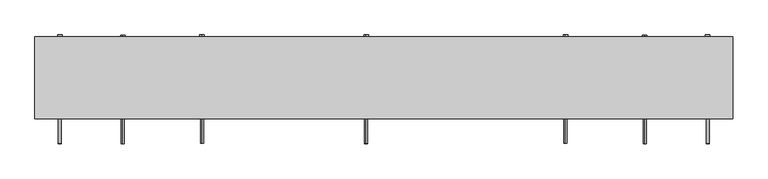
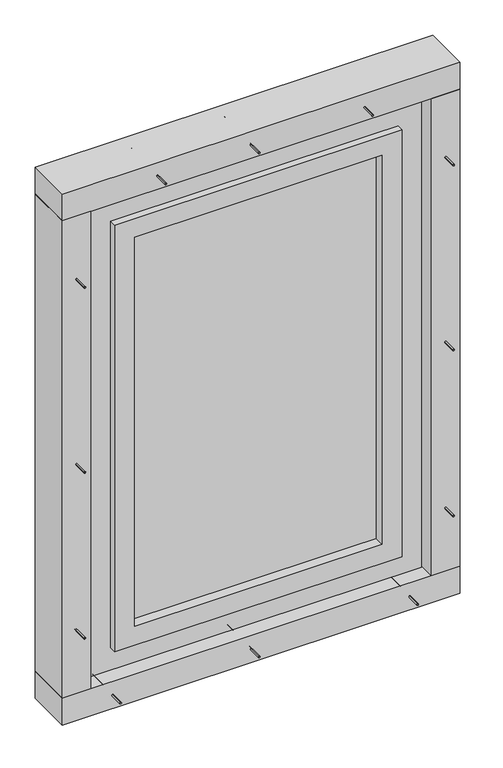
"""IFC4 building model written with IfcOpenShell, lengths in millimetres: proxy geometry."""

import ifcopenshell
import ifcopenshell.guid

model = None  # the IFC model being written
_history = None  # IfcOwnerHistory: only IFC2X3 demands one
_inside = {}  # id of a spatial element -> (the spatial element, [elements in it])
_under = {}  # id of a project, library or spatial element -> (it, [spatial elements below it])
_declared = {}  # id of a project -> (the project, [libraries it declares])
_typed = {}  # id of a type object -> (the type object, [elements of that type])
_made_of = {}  # id of a material, layer set ... -> (it, [elements and type objects made of it])


def new_model(schema):
    """Start an empty IFC model of exactly this schema.

    Asked for "IFC4X3", IfcOpenShell would pick the latest addendum, in which some entities
    have other attributes; the version numbers below select the first issue.
    IFC2X3 requires an IfcOwnerHistory on every rooted entity: one is made here for all.
    """
    global model, _history
    if schema == "IFC4X3":
        model = ifcopenshell.file(schema_version=(4, 3, 0, 0))
    else:
        model = ifcopenshell.file(schema=schema)
    _inside.clear()
    _under.clear()
    _declared.clear()
    _typed.clear()
    _made_of.clear()
    _history = None
    if model.schema == "IFC2X3":
        org = make("IfcOrganization", Name="unknown")
        user = make(
            "IfcPersonAndOrganization",
            ThePerson=make("IfcPerson", FamilyName="unknown"),
            TheOrganization=org,
        )
        app = make(
            "IfcApplication",
            ApplicationDeveloper=org,
            Version="unknown",
            ApplicationFullName="unknown",
            ApplicationIdentifier="unknown",
        )
        _history = make(
            "IfcOwnerHistory",
            OwningUser=user,
            OwningApplication=app,
            ChangeAction="ADDED",
            CreationDate=0,
        )
    return model


def make(cls, **values):
    """One entity of the class cls with the attributes given. An attribute that is None is left unset."""
    return model.create_entity(
        cls, **{name: value for name, value in values.items() if value is not None}
    )


def rooted(cls, **values):
    """An entity with a GlobalId (a new one), such as an element, a storey or a relation."""
    return make(cls, GlobalId=ifcopenshell.guid.new(), OwnerHistory=_history, **values)


def si_unit(unit_type, name, prefix=None):
    """IfcSIUnit, for example si_unit("LENGTHUNIT", "METRE", prefix="MILLI")."""
    return make("IfcSIUnit", UnitType=unit_type, Prefix=prefix, Name=name)


def assignment(units):
    """IfcUnitAssignment: the units of a project."""
    return None if units is None else make("IfcUnitAssignment", Units=units)


def point(xyz):
    """IfcCartesianPoint."""
    return None if xyz is None else make("IfcCartesianPoint", Coordinates=xyz)


def direction(xyz):
    """IfcDirection."""
    return None if xyz is None else make("IfcDirection", DirectionRatios=xyz)


def frame(location, z_axis=None, x_axis=None):
    """IfcAxis2Placement3D, a coordinate frame: its origin and axes. An axis left out is left unset."""
    return make(
        "IfcAxis2Placement3D",
        Location=point(location),
        Axis=direction(z_axis),
        RefDirection=direction(x_axis),
    )


def frame_2d(location, x_axis=None):
    """IfcAxis2Placement2D, a coordinate frame in the plane: its origin and x axis."""
    return make(
        "IfcAxis2Placement2D", Location=point(location), RefDirection=direction(x_axis)
    )


def origin():
    """The frame at (0, 0, 0) with its axes left unset."""
    return frame((0.0, 0.0, 0.0))


def origin_with_axes():
    """The frame at (0, 0, 0) with the z axis (0, 0, 1) and the x axis (1, 0, 0) written out."""
    return frame((0.0, 0.0, 0.0), z_axis=(0.0, 0.0, 1.0), x_axis=(1.0, 0.0, 0.0))


def place(relative_to, where):
    """IfcLocalPlacement: puts the frame where relative to a parent placement (None: the world)."""
    return make(
        "IfcLocalPlacement", PlacementRelTo=relative_to, RelativePlacement=where
    )


def context(
    kind, dimensions, precision=None, world=None, true_north=None, identifier=None
):
    """IfcGeometricRepresentationContext, for example the 3D "Model" context."""
    return make(
        "IfcGeometricRepresentationContext",
        ContextIdentifier=identifier,
        ContextType=kind,
        CoordinateSpaceDimension=dimensions,
        Precision=precision,
        WorldCoordinateSystem=world,
        TrueNorth=true_north,
    )


def project(units=None, contexts=None):
    """IfcProject with its units and contexts."""
    return rooted(
        "IfcProject",
        Name="project",
        RepresentationContexts=contexts,
        UnitsInContext=assignment(units),
    )


def spatial(cls, under=None, at=None, **own):
    """A site, building, storey or space (cls), placed at a placement, below another one or the project."""
    s = rooted(cls, ObjectPlacement=at, **own)
    if under is not None:
        _under.setdefault(under.id(), (under, []))[1].append(s)
    return s


def polyline(points):
    """IfcPolyline through the points."""
    return make("IfcPolyline", Points=[point(p) for p in points])


def circle_curve(where, radius):
    """IfcCircle in the frame where."""
    return make("IfcCircle", Position=where, Radius=radius)


def trimmed(basis, trim1, trim2, sense, master):
    """IfcTrimmedCurve: the piece of a basis curve between two trims."""
    return make(
        "IfcTrimmedCurve",
        BasisCurve=basis,
        Trim1=trim1,
        Trim2=trim2,
        SenseAgreement=sense,
        MasterRepresentation=master,
    )


def segment(curve, same_sense, transition):
    """IfcCompositeCurveSegment."""
    return make(
        "IfcCompositeCurveSegment",
        Transition=transition,
        SameSense=same_sense,
        ParentCurve=curve,
    )


def composite_curve(segments, self_intersect=None):
    """IfcCompositeCurve: segments joined end to end."""
    return make("IfcCompositeCurve", Segments=segments, SelfIntersect=self_intersect)


def outline(outer, holes=None, kind="AREA"):
    """IfcArbitraryClosedProfileDef: a profile drawn as a closed curve; with holes, ...WithVoids."""
    if holes is None:
        return make("IfcArbitraryClosedProfileDef", ProfileType=kind, OuterCurve=outer)
    return make(
        "IfcArbitraryProfileDefWithVoids",
        ProfileType=kind,
        OuterCurve=outer,
        InnerCurves=holes,
    )


def extrude(swept, where, along, depth):
    """IfcExtrudedAreaSolid: the profile swept, set in the frame where, extruded along a direction by depth."""
    return make(
        "IfcExtrudedAreaSolid",
        SweptArea=swept,
        Position=where,
        ExtrudedDirection=direction(along),
        Depth=depth,
    )


def shape(context_of_items, identifier, shape_type, items):
    """IfcShapeRepresentation: the items that make up one representation, for example the "Body"."""
    return make(
        "IfcShapeRepresentation",
        ContextOfItems=context_of_items,
        RepresentationIdentifier=identifier,
        RepresentationType=shape_type,
        Items=items,
    )


def source(mapping_origin, context_of_items, identifier, shape_type, items):
    """IfcRepresentationMap: a shape defined once, which mapped items show again and again."""
    return make(
        "IfcRepresentationMap",
        MappingOrigin=mapping_origin,
        MappedRepresentation=shape(context_of_items, identifier, shape_type, items),
    )


def transform(
    local_origin,
    x_axis=None,
    y_axis=None,
    z_axis=None,
    scale=None,
    scale2=None,
    scale3=None,
    uniform=True,
):
    """IfcCartesianTransformationOperator3D, or its non-uniform kind. x_axis, y_axis, z_axis: its Axis1, 2, 3."""
    if uniform:
        return make(
            "IfcCartesianTransformationOperator3D",
            Axis1=direction(x_axis),
            Axis2=direction(y_axis),
            LocalOrigin=point(local_origin),
            Scale=scale,
            Axis3=direction(z_axis),
        )
    return make(
        "IfcCartesianTransformationOperator3DnonUniform",
        Axis1=direction(x_axis),
        Axis2=direction(y_axis),
        LocalOrigin=point(local_origin),
        Scale=scale,
        Axis3=direction(z_axis),
        Scale2=scale2,
        Scale3=scale3,
    )


def mapped(mapping_source, mapping_target):
    """IfcMappedItem: shows the shape of a source again, moved by a transform."""
    return make(
        "IfcMappedItem", MappingSource=mapping_source, MappingTarget=mapping_target
    )


def made_of(thing, what):
    """Note that an element or type object is made of a material, layer set ...; save() writes the relation."""
    if what is not None:
        _made_of.setdefault(what.id(), (what, []))[1].append(thing)
    return thing


def element(
    cls,
    number,
    at=None,
    inside=None,
    cuts=None,
    type_object=None,
    material=None,
    context=None,
    identifier="Body",
    shape_type=None,
    held_by="IfcProductDefinitionShape",
    body=None,
    shapes=None,
    **own,
):
    """One element of the class cls, such as IfcWall. Its Tag is "e" and its number.

    at: its placement. inside: the storey or other place that contains it. cuts: it is an
    opening in that element (IfcRelVoidsElement). A single representation is given by context,
    identifier, shape_type and body (its items); several are given by shapes. held_by: the class
    of the entity that holds the representations. save() writes the other relations.
    """
    e = rooted(cls, Tag="e%d" % number, ObjectPlacement=at, **own)
    if body is not None:
        shapes = [shape(context, identifier, shape_type, body)]
    if shapes is not None:
        e.Representation = make(held_by, Representations=shapes)
    if inside is not None:
        _inside.setdefault(inside.id(), (inside, []))[1].append(e)
    if cuts is not None:
        rooted(
            "IfcRelVoidsElement", RelatingBuildingElement=cuts, RelatedOpeningElement=e
        )
    if type_object is not None:
        _typed.setdefault(type_object.id(), (type_object, []))[1].append(e)
    return made_of(e, material)


def aggregate(whole, parts):
    """IfcRelAggregates: a whole, such as a stair, and the parts it consists of."""
    return rooted("IfcRelAggregates", RelatingObject=whole, RelatedObjects=parts)


def save(model, path):
    """Write the relations noted so far, then the file.

    IfcRelAggregates (storeys below a building ...), IfcRelContainedInSpatialStructure (elements
    in a storey), IfcRelDefinesByType, IfcRelAssociatesMaterial and IfcRelDeclares: one each for
    every whole, place, type object, material and project.
    """
    for whole, parts in _under.values():
        aggregate(whole, parts)
    for where, things in _inside.values():
        rooted(
            "IfcRelContainedInSpatialStructure",
            RelatedElements=things,
            RelatingStructure=where,
        )
    for kind, things in _typed.values():
        rooted("IfcRelDefinesByType", RelatedObjects=things, RelatingType=kind)
    for what, things in _made_of.values():
        rooted("IfcRelAssociatesMaterial", RelatedObjects=things, RelatingMaterial=what)
    for by, libraries in _declared.values():
        rooted("IfcRelDeclares", RelatingContext=by, RelatedDefinitions=libraries)
    model.write(path)


def generic_models_2663416c(model_context):
    return source(origin(), model_context, "Body", "SweptSolid", [
        extrude(outline(polyline([(-245.0, 5.0), (-245.0, 15.0), (495.0, 15.0), (495.0, 5.0), (-245.0, 5.0)])), frame((0.0, 0.0, 225.0), z_axis=(0.0, 0.0, 1.0), x_axis=(1.0, 0.0, 0.0)), (0.0, 0.0, 1.0), 1230.0),
        extrude(outline(polyline([(165.0, 555.0), (1515.0, 555.0), (1515.0, -305.0), (165.0, -305.0), (165.0, 555.0)]), holes=[polyline([(1455.0, 495.0), (225.0, 495.0), (225.0, -245.0), (1455.0, -245.0), (1455.0, 495.0)])]), frame((0.0, -25.0, 0.0), z_axis=(0.0, 1.0, 0.0), x_axis=(0.0, 0.0, 1.0)), (0.0, 0.0, 1.0), 70.0),
        extrude(outline(polyline([(95.0, 625.0), (1585.0, 625.0), (1585.0, -375.0), (95.0, -375.0), (95.0, 625.0)]), holes=[polyline([(1515.0, 555.0), (165.0, 555.0), (165.0, -305.0), (1515.0, -305.0), (1515.0, 555.0)])]), frame((0.0, -5.0, 0.0), z_axis=(0.0, 1.0, 0.0), x_axis=(0.0, 0.0, 1.0)), (0.0, 0.0, 1.0), 70.0),
        extrude(outline(composite_curve([segment(trimmed(circle_curve(frame_2d((125.0, 30.0)), 2.4700592), [point((125.0, 27.5299408))], [point((125.0, 32.4700592))], False, "CARTESIAN"), True, "CONTINUOUS"), segment(trimmed(circle_curve(frame_2d((125.0, 30.0)), 2.4700592), [point((125.0, 32.4700592))], [point((125.0, 27.5299408))], False, "CARTESIAN"), True, "CONTINUOUS")], self_intersect=False)), frame((0.0, 0.0, 25.0), z_axis=(0.0, 0.0, 1.0), x_axis=(1.0, 0.0, 0.0)), (0.0, 0.0, 1.0), 140.0),
        extrude(outline(composite_curve([segment(trimmed(circle_curve(frame_2d((125.0, 30.0)), 3.8), [point((125.0, 26.2))], [point((125.0, 33.8))], False, "CARTESIAN"), True, "CONTINUOUS"), segment(trimmed(circle_curve(frame_2d((125.0, 30.0)), 3.8), [point((125.0, 33.8))], [point((125.0, 26.2))], False, "CARTESIAN"), True, "CONTINUOUS")], self_intersect=False)), frame((0.0, 0.0, 165.0), z_axis=(0.0, 0.0, 1.0), x_axis=(1.0, 0.0, 0.0)), (0.0, 0.0, 1.0), 3.0),
        extrude(outline(composite_curve([segment(trimmed(circle_curve(frame_2d((42.5, 95.0)), 2.4700592), [point((44.9700592, 95.0))], [point((40.0299408, 95.0))], False, "CARTESIAN"), True, "CONTINUOUS"), segment(trimmed(circle_curve(frame_2d((42.5, 95.0)), 2.4700592), [point((40.0299408, 95.0))], [point((44.9700592, 95.0))], False, "CARTESIAN"), True, "CONTINUOUS")], self_intersect=False)), frame((0.0, -82.0, 0.0), z_axis=(0.0, 1.0, 0.0), x_axis=(0.0, 0.0, 1.0)), (0.0, 0.0, 1.0), 182.0),
        extrude(outline(composite_curve([segment(trimmed(circle_curve(frame_2d((42.5, 95.0)), 3.8), [point((46.3, 95.0))], [point((38.7, 95.0))], False, "CARTESIAN"), True, "CONTINUOUS"), segment(trimmed(circle_curve(frame_2d((42.5, 95.0)), 3.8), [point((38.7, 95.0))], [point((46.3, 95.0))], False, "CARTESIAN"), True, "CONTINUOUS")], self_intersect=False)), frame((0.0, 100.0, 0.0), z_axis=(0.0, 1.0, 0.0), x_axis=(0.0, 0.0, 1.0)), (0.0, 0.0, 1.0), 3.0),
        extrude(outline(composite_curve([segment(trimmed(circle_curve(frame_2d((42.5, -320.0)), 2.4700592), [point((44.9700592, -320.0))], [point((40.0299408, -320.0))], False, "CARTESIAN"), True, "CONTINUOUS"), segment(trimmed(circle_curve(frame_2d((42.5, -320.0)), 2.4700592), [point((40.0299408, -320.0))], [point((44.9700592, -320.0))], False, "CARTESIAN"), True, "CONTINUOUS")], self_intersect=False)), frame((0.0, -82.0, 0.0), z_axis=(0.0, 1.0, 0.0), x_axis=(0.0, 0.0, 1.0)), (0.0, 0.0, 1.0), 182.0),
        extrude(outline(composite_curve([segment(trimmed(circle_curve(frame_2d((42.5, -320.0)), 3.8), [point((46.3, -320.0))], [point((38.7, -320.0))], False, "CARTESIAN"), True, "CONTINUOUS"), segment(trimmed(circle_curve(frame_2d((42.5, -320.0)), 3.8), [point((38.7, -320.0))], [point((46.3, -320.0))], False, "CARTESIAN"), True, "CONTINUOUS")], self_intersect=False)), frame((0.0, 100.0, 0.0), z_axis=(0.0, 1.0, 0.0), x_axis=(0.0, 0.0, 1.0)), (0.0, 0.0, 1.0), 3.0),
        extrude(outline(composite_curve([segment(trimmed(circle_curve(frame_2d((42.5, 570.0)), 2.4700592), [point((44.9700592, 570.0))], [point((40.0299408, 570.0))], False, "CARTESIAN"), True, "CONTINUOUS"), segment(trimmed(circle_curve(frame_2d((42.5, 570.0)), 2.4700592), [point((40.0299408, 570.0))], [point((44.9700592, 570.0))], False, "CARTESIAN"), True, "CONTINUOUS")], self_intersect=False)), frame((0.0, -82.0, 0.0), z_axis=(0.0, 1.0, 0.0), x_axis=(0.0, 0.0, 1.0)), (0.0, 0.0, 1.0), 182.0),
        extrude(outline(composite_curve([segment(trimmed(circle_curve(frame_2d((42.5, 570.0)), 3.8), [point((46.3, 570.0))], [point((38.7, 570.0))], False, "CARTESIAN"), True, "CONTINUOUS"), segment(trimmed(circle_curve(frame_2d((42.5, 570.0)), 3.8), [point((38.7, 570.0))], [point((46.3, 570.0))], False, "CARTESIAN"), True, "CONTINUOUS")], self_intersect=False)), frame((0.0, 100.0, 0.0), z_axis=(0.0, 1.0, 0.0), x_axis=(0.0, 0.0, 1.0)), (0.0, 0.0, 1.0), 3.0),
        extrude(outline(polyline([(720.0, -40.0), (-470.0, -40.0), (-470.0, 100.0), (720.0, 100.0), (720.0, -40.0)])), origin_with_axes(), (0.0, 0.0, 1.0), 85.0),
        extrude(outline(composite_curve([segment(trimmed(circle_curve(frame_2d((30.0, 315.0)), 2.4700592), [point((27.5299408, 315.0))], [point((32.4700592, 315.0))], False, "CARTESIAN"), True, "CONTINUOUS"), segment(trimmed(circle_curve(frame_2d((30.0, 315.0)), 2.4700592), [point((32.4700592, 315.0))], [point((27.5299408, 315.0))], False, "CARTESIAN"), True, "CONTINUOUS")], self_intersect=False)), frame((-445.0, 0.0, 0.0), z_axis=(1.0, 0.0, 0.0), x_axis=(0.0, 1.0, 0.0)), (0.0, 0.0, 1.0), 140.0),
        extrude(outline(composite_curve([segment(trimmed(circle_curve(frame_2d((30.0, 315.0)), 3.8), [point((26.2, 315.0))], [point((33.8, 315.0))], False, "CARTESIAN"), True, "CONTINUOUS"), segment(trimmed(circle_curve(frame_2d((30.0, 315.0)), 3.8), [point((33.8, 315.0))], [point((26.2, 315.0))], False, "CARTESIAN"), True, "CONTINUOUS")], self_intersect=False)), frame((-305.0, 0.0, 0.0), z_axis=(1.0, 0.0, 0.0), x_axis=(0.0, 1.0, 0.0)), (0.0, 0.0, 1.0), 3.0),
        extrude(outline(composite_curve([segment(trimmed(circle_curve(frame_2d((30.0, 1365.0)), 2.4700592), [point((27.5299408, 1365.0))], [point((32.4700592, 1365.0))], False, "CARTESIAN"), True, "CONTINUOUS"), segment(trimmed(circle_curve(frame_2d((30.0, 1365.0)), 2.4700592), [point((32.4700592, 1365.0))], [point((27.5299408, 1365.0))], False, "CARTESIAN"), True, "CONTINUOUS")], self_intersect=False)), frame((-445.0, 0.0, 0.0), z_axis=(1.0, 0.0, 0.0), x_axis=(0.0, 1.0, 0.0)), (0.0, 0.0, 1.0), 140.0),
        extrude(outline(composite_curve([segment(trimmed(circle_curve(frame_2d((30.0, 1365.0)), 3.8), [point((26.2, 1365.0))], [point((33.8, 1365.0))], False, "CARTESIAN"), True, "CONTINUOUS"), segment(trimmed(circle_curve(frame_2d((30.0, 1365.0)), 3.8), [point((33.8, 1365.0))], [point((26.2, 1365.0))], False, "CARTESIAN"), True, "CONTINUOUS")], self_intersect=False)), frame((-305.0, 0.0, 0.0), z_axis=(1.0, 0.0, 0.0), x_axis=(0.0, 1.0, 0.0)), (0.0, 0.0, 1.0), 3.0),
        extrude(outline(composite_curve([segment(trimmed(circle_curve(frame_2d((810.0, -427.5)), 2.4700592), [point((810.0, -429.9700592))], [point((810.0, -425.0299408))], False, "CARTESIAN"), True, "CONTINUOUS"), segment(trimmed(circle_curve(frame_2d((810.0, -427.5)), 2.4700592), [point((810.0, -425.0299408))], [point((810.0, -429.9700592))], False, "CARTESIAN"), True, "CONTINUOUS")], self_intersect=False)), frame((0.0, -82.0, 0.0), z_axis=(0.0, 1.0, 0.0), x_axis=(0.0, 0.0, 1.0)), (0.0, 0.0, 1.0), 182.0),
        extrude(outline(composite_curve([segment(trimmed(circle_curve(frame_2d((810.0, -427.5)), 3.8), [point((810.0, -431.3))], [point((810.0, -423.7))], False, "CARTESIAN"), True, "CONTINUOUS"), segment(trimmed(circle_curve(frame_2d((810.0, -427.5)), 3.8), [point((810.0, -423.7))], [point((810.0, -431.3))], False, "CARTESIAN"), True, "CONTINUOUS")], self_intersect=False)), frame((0.0, 100.0, 0.0), z_axis=(0.0, 1.0, 0.0), x_axis=(0.0, 0.0, 1.0)), (0.0, 0.0, 1.0), 3.0),
        extrude(outline(composite_curve([segment(trimmed(circle_curve(frame_2d((30.0, 840.0)), 2.4700592), [point((27.5299408, 840.0))], [point((32.4700592, 840.0))], False, "CARTESIAN"), True, "CONTINUOUS"), segment(trimmed(circle_curve(frame_2d((30.0, 840.0)), 2.4700592), [point((32.4700592, 840.0))], [point((27.5299408, 840.0))], False, "CARTESIAN"), True, "CONTINUOUS")], self_intersect=False)), frame((-445.0, 0.0, 0.0), z_axis=(1.0, 0.0, 0.0), x_axis=(0.0, 1.0, 0.0)), (0.0, 0.0, 1.0), 140.0),
        extrude(outline(composite_curve([segment(trimmed(circle_curve(frame_2d((30.0, 840.0)), 3.8), [point((26.2, 840.0))], [point((33.8, 840.0))], False, "CARTESIAN"), True, "CONTINUOUS"), segment(trimmed(circle_curve(frame_2d((30.0, 840.0)), 3.8), [point((33.8, 840.0))], [point((26.2, 840.0))], False, "CARTESIAN"), True, "CONTINUOUS")], self_intersect=False)), frame((-305.0, 0.0, 0.0), z_axis=(1.0, 0.0, 0.0), x_axis=(0.0, 1.0, 0.0)), (0.0, 0.0, 1.0), 3.0),
        extrude(outline(composite_curve([segment(trimmed(circle_curve(frame_2d((1395.0, -427.5)), 2.4700592), [point((1395.0, -429.9700592))], [point((1395.0, -425.0299408))], False, "CARTESIAN"), True, "CONTINUOUS"), segment(trimmed(circle_curve(frame_2d((1395.0, -427.5)), 2.4700592), [point((1395.0, -425.0299408))], [point((1395.0, -429.9700592))], False, "CARTESIAN"), True, "CONTINUOUS")], self_intersect=False)), frame((0.0, -82.0, 0.0), z_axis=(0.0, 1.0, 0.0), x_axis=(0.0, 0.0, 1.0)), (0.0, 0.0, 1.0), 182.0),
        extrude(outline(composite_curve([segment(trimmed(circle_curve(frame_2d((1395.0, -427.5)), 3.8), [point((1395.0, -431.3))], [point((1395.0, -423.7))], False, "CARTESIAN"), True, "CONTINUOUS"), segment(trimmed(circle_curve(frame_2d((1395.0, -427.5)), 3.8), [point((1395.0, -423.7))], [point((1395.0, -431.3))], False, "CARTESIAN"), True, "CONTINUOUS")], self_intersect=False)), frame((0.0, 100.0, 0.0), z_axis=(0.0, 1.0, 0.0), x_axis=(0.0, 0.0, 1.0)), (0.0, 0.0, 1.0), 3.0),
        extrude(outline(composite_curve([segment(trimmed(circle_curve(frame_2d((285.0, -427.5)), 2.4700592), [point((285.0, -429.9700592))], [point((285.0, -425.0299408))], False, "CARTESIAN"), True, "CONTINUOUS"), segment(trimmed(circle_curve(frame_2d((285.0, -427.5)), 2.4700592), [point((285.0, -425.0299408))], [point((285.0, -429.9700592))], False, "CARTESIAN"), True, "CONTINUOUS")], self_intersect=False)), frame((0.0, -82.0, 0.0), z_axis=(0.0, 1.0, 0.0), x_axis=(0.0, 0.0, 1.0)), (0.0, 0.0, 1.0), 182.0),
        extrude(outline(composite_curve([segment(trimmed(circle_curve(frame_2d((285.0, -427.5)), 3.8), [point((285.0, -431.3))], [point((285.0, -423.7))], False, "CARTESIAN"), True, "CONTINUOUS"), segment(trimmed(circle_curve(frame_2d((285.0, -427.5)), 3.8), [point((285.0, -423.7))], [point((285.0, -431.3))], False, "CARTESIAN"), True, "CONTINUOUS")], self_intersect=False)), frame((0.0, 100.0, 0.0), z_axis=(0.0, 1.0, 0.0), x_axis=(0.0, 0.0, 1.0)), (0.0, 0.0, 1.0), 3.0),
        extrude(outline(polyline([(-470.0, -40.0), (-470.0, 100.0), (-385.0, 100.0), (-385.0, -40.0), (-470.0, -40.0)])), frame((0.0, 0.0, 85.0), z_axis=(0.0, 0.0, 1.0), x_axis=(1.0, 0.0, 0.0)), (0.0, 0.0, 1.0), 1510.0),
        extrude(outline(composite_curve([segment(trimmed(circle_curve(frame_2d((30.0, 315.0)), 2.4700592), [point((27.5299408, 315.0))], [point((32.4700592, 315.0))], False, "CARTESIAN"), True, "CONTINUOUS"), segment(trimmed(circle_curve(frame_2d((30.0, 315.0)), 2.4700592), [point((32.4700592, 315.0))], [point((27.5299408, 315.0))], False, "CARTESIAN"), True, "CONTINUOUS")], self_intersect=False)), frame((555.0, 0.0, 0.0), z_axis=(1.0, 0.0, 0.0), x_axis=(0.0, 1.0, 0.0)), (0.0, 0.0, 1.0), 140.0),
        extrude(outline(composite_curve([segment(trimmed(circle_curve(frame_2d((30.0, 315.0)), 3.8), [point((26.2, 315.0))], [point((33.8, 315.0))], False, "CARTESIAN"), True, "CONTINUOUS"), segment(trimmed(circle_curve(frame_2d((30.0, 315.0)), 3.8), [point((33.8, 315.0))], [point((26.2, 315.0))], False, "CARTESIAN"), True, "CONTINUOUS")], self_intersect=False)), frame((552.0, 0.0, 0.0), z_axis=(1.0, 0.0, 0.0), x_axis=(0.0, 1.0, 0.0)), (0.0, 0.0, 1.0), 3.0),
        extrude(outline(composite_curve([segment(trimmed(circle_curve(frame_2d((30.0, 1365.0)), 2.4700592), [point((27.5299408, 1365.0))], [point((32.4700592, 1365.0))], False, "CARTESIAN"), True, "CONTINUOUS"), segment(trimmed(circle_curve(frame_2d((30.0, 1365.0)), 2.4700592), [point((32.4700592, 1365.0))], [point((27.5299408, 1365.0))], False, "CARTESIAN"), True, "CONTINUOUS")], self_intersect=False)), frame((555.0, 0.0, 0.0), z_axis=(1.0, 0.0, 0.0), x_axis=(0.0, 1.0, 0.0)), (0.0, 0.0, 1.0), 140.0),
        extrude(outline(composite_curve([segment(trimmed(circle_curve(frame_2d((30.0, 1365.0)), 3.8), [point((26.2, 1365.0))], [point((33.8, 1365.0))], False, "CARTESIAN"), True, "CONTINUOUS"), segment(trimmed(circle_curve(frame_2d((30.0, 1365.0)), 3.8), [point((33.8, 1365.0))], [point((26.2, 1365.0))], False, "CARTESIAN"), True, "CONTINUOUS")], self_intersect=False)), frame((552.0, 0.0, 0.0), z_axis=(1.0, 0.0, 0.0), x_axis=(0.0, 1.0, 0.0)), (0.0, 0.0, 1.0), 3.0),
        extrude(outline(composite_curve([segment(trimmed(circle_curve(frame_2d((810.0, 677.5)), 2.4700592), [point((810.0, 679.9700592))], [point((810.0, 675.0299408))], False, "CARTESIAN"), True, "CONTINUOUS"), segment(trimmed(circle_curve(frame_2d((810.0, 677.5)), 2.4700592), [point((810.0, 675.0299408))], [point((810.0, 679.9700592))], False, "CARTESIAN"), True, "CONTINUOUS")], self_intersect=False)), frame((0.0, -82.0, 0.0), z_axis=(0.0, 1.0, 0.0), x_axis=(0.0, 0.0, 1.0)), (0.0, 0.0, 1.0), 182.0),
        extrude(outline(composite_curve([segment(trimmed(circle_curve(frame_2d((810.0, 677.5)), 3.8), [point((810.0, 681.3))], [point((810.0, 673.7))], False, "CARTESIAN"), True, "CONTINUOUS"), segment(trimmed(circle_curve(frame_2d((810.0, 677.5)), 3.8), [point((810.0, 673.7))], [point((810.0, 681.3))], False, "CARTESIAN"), True, "CONTINUOUS")], self_intersect=False)), frame((0.0, 100.0, 0.0), z_axis=(0.0, 1.0, 0.0), x_axis=(0.0, 0.0, 1.0)), (0.0, 0.0, 1.0), 3.0),
        extrude(outline(composite_curve([segment(trimmed(circle_curve(frame_2d((30.0, 840.0)), 2.4700592), [point((27.5299408, 840.0))], [point((32.4700592, 840.0))], False, "CARTESIAN"), True, "CONTINUOUS"), segment(trimmed(circle_curve(frame_2d((30.0, 840.0)), 2.4700592), [point((32.4700592, 840.0))], [point((27.5299408, 840.0))], False, "CARTESIAN"), True, "CONTINUOUS")], self_intersect=False)), frame((555.0, 0.0, 0.0), z_axis=(1.0, 0.0, 0.0), x_axis=(0.0, 1.0, 0.0)), (0.0, 0.0, 1.0), 140.0),
        extrude(outline(composite_curve([segment(trimmed(circle_curve(frame_2d((30.0, 840.0)), 3.8), [point((26.2, 840.0))], [point((33.8, 840.0))], False, "CARTESIAN"), True, "CONTINUOUS"), segment(trimmed(circle_curve(frame_2d((30.0, 840.0)), 3.8), [point((33.8, 840.0))], [point((26.2, 840.0))], False, "CARTESIAN"), True, "CONTINUOUS")], self_intersect=False)), frame((552.0, 0.0, 0.0), z_axis=(1.0, 0.0, 0.0), x_axis=(0.0, 1.0, 0.0)), (0.0, 0.0, 1.0), 3.0),
        extrude(outline(composite_curve([segment(trimmed(circle_curve(frame_2d((1395.0, 677.5)), 2.4700592), [point((1395.0, 679.9700592))], [point((1395.0, 675.0299408))], False, "CARTESIAN"), True, "CONTINUOUS"), segment(trimmed(circle_curve(frame_2d((1395.0, 677.5)), 2.4700592), [point((1395.0, 675.0299408))], [point((1395.0, 679.9700592))], False, "CARTESIAN"), True, "CONTINUOUS")], self_intersect=False)), frame((0.0, -82.0, 0.0), z_axis=(0.0, 1.0, 0.0), x_axis=(0.0, 0.0, 1.0)), (0.0, 0.0, 1.0), 182.0),
        extrude(outline(composite_curve([segment(trimmed(circle_curve(frame_2d((1395.0, 677.5)), 3.8), [point((1395.0, 681.3))], [point((1395.0, 673.7))], False, "CARTESIAN"), True, "CONTINUOUS"), segment(trimmed(circle_curve(frame_2d((1395.0, 677.5)), 3.8), [point((1395.0, 673.7))], [point((1395.0, 681.3))], False, "CARTESIAN"), True, "CONTINUOUS")], self_intersect=False)), frame((0.0, 100.0, 0.0), z_axis=(0.0, 1.0, 0.0), x_axis=(0.0, 0.0, 1.0)), (0.0, 0.0, 1.0), 3.0),
        extrude(outline(composite_curve([segment(trimmed(circle_curve(frame_2d((285.0, 677.5)), 2.4700592), [point((285.0, 679.9700592))], [point((285.0, 675.0299408))], False, "CARTESIAN"), True, "CONTINUOUS"), segment(trimmed(circle_curve(frame_2d((285.0, 677.5)), 2.4700592), [point((285.0, 675.0299408))], [point((285.0, 679.9700592))], False, "CARTESIAN"), True, "CONTINUOUS")], self_intersect=False)), frame((0.0, -82.0, 0.0), z_axis=(0.0, 1.0, 0.0), x_axis=(0.0, 0.0, 1.0)), (0.0, 0.0, 1.0), 182.0),
        extrude(outline(composite_curve([segment(trimmed(circle_curve(frame_2d((285.0, 677.5)), 3.8), [point((285.0, 681.3))], [point((285.0, 673.7))], False, "CARTESIAN"), True, "CONTINUOUS"), segment(trimmed(circle_curve(frame_2d((285.0, 677.5)), 3.8), [point((285.0, 673.7))], [point((285.0, 681.3))], False, "CARTESIAN"), True, "CONTINUOUS")], self_intersect=False)), frame((0.0, 100.0, 0.0), z_axis=(0.0, 1.0, 0.0), x_axis=(0.0, 0.0, 1.0)), (0.0, 0.0, 1.0), 3.0),
        extrude(outline(polyline([(720.0, -40.0), (635.0, -40.0), (635.0, 100.0), (720.0, 100.0), (720.0, -40.0)])), frame((0.0, 0.0, 85.0), z_axis=(0.0, 0.0, 1.0), x_axis=(1.0, 0.0, 0.0)), (0.0, 0.0, 1.0), 1510.0),
        extrude(outline(composite_curve([segment(trimmed(circle_curve(frame_2d((1637.5, 95.0)), 2.4700592), [point((1639.9700592, 95.0))], [point((1635.0299408, 95.0))], False, "CARTESIAN"), True, "CONTINUOUS"), segment(trimmed(circle_curve(frame_2d((1637.5, 95.0)), 2.4700592), [point((1635.0299408, 95.0))], [point((1639.9700592, 95.0))], False, "CARTESIAN"), True, "CONTINUOUS")], self_intersect=False)), frame((0.0, -82.0, 0.0), z_axis=(0.0, 1.0, 0.0), x_axis=(0.0, 0.0, 1.0)), (0.0, 0.0, 1.0), 182.0),
        extrude(outline(composite_curve([segment(trimmed(circle_curve(frame_2d((1637.5, 95.0)), 3.8), [point((1641.3, 95.0))], [point((1633.7, 95.0))], False, "CARTESIAN"), True, "CONTINUOUS"), segment(trimmed(circle_curve(frame_2d((1637.5, 95.0)), 3.8), [point((1633.7, 95.0))], [point((1641.3, 95.0))], False, "CARTESIAN"), True, "CONTINUOUS")], self_intersect=False)), frame((0.0, 100.0, 0.0), z_axis=(0.0, 1.0, 0.0), x_axis=(0.0, 0.0, 1.0)), (0.0, 0.0, 1.0), 3.0),
        extrude(outline(composite_curve([segment(trimmed(circle_curve(frame_2d((125.0, 30.0)), 2.4700592), [point((125.0, 27.5299408))], [point((125.0, 32.4700592))], False, "CARTESIAN"), True, "CONTINUOUS"), segment(trimmed(circle_curve(frame_2d((125.0, 30.0)), 2.4700592), [point((125.0, 32.4700592))], [point((125.0, 27.5299408))], False, "CARTESIAN"), True, "CONTINUOUS")], self_intersect=False)), frame((0.0, 0.0, 1515.0), z_axis=(0.0, 0.0, 1.0), x_axis=(1.0, 0.0, 0.0)), (0.0, 0.0, 1.0), 140.0),
        extrude(outline(composite_curve([segment(trimmed(circle_curve(frame_2d((125.0, 30.0)), 3.8), [point((125.0, 26.2))], [point((125.0, 33.8))], False, "CARTESIAN"), True, "CONTINUOUS"), segment(trimmed(circle_curve(frame_2d((125.0, 30.0)), 3.8), [point((125.0, 33.8))], [point((125.0, 26.2))], False, "CARTESIAN"), True, "CONTINUOUS")], self_intersect=False)), frame((0.0, 0.0, 1512.0), z_axis=(0.0, 0.0, 1.0), x_axis=(1.0, 0.0, 0.0)), (0.0, 0.0, 1.0), 3.0),
        extrude(outline(composite_curve([segment(trimmed(circle_curve(frame_2d((1637.5, -185.0)), 2.4700592), [point((1639.9700592, -185.0))], [point((1635.0299408, -185.0))], False, "CARTESIAN"), True, "CONTINUOUS"), segment(trimmed(circle_curve(frame_2d((1637.5, -185.0)), 2.4700592), [point((1635.0299408, -185.0))], [point((1639.9700592, -185.0))], False, "CARTESIAN"), True, "CONTINUOUS")], self_intersect=False)), frame((0.0, -82.0, 0.0), z_axis=(0.0, 1.0, 0.0), x_axis=(0.0, 0.0, 1.0)), (0.0, 0.0, 1.0), 182.0),
        extrude(outline(composite_curve([segment(trimmed(circle_curve(frame_2d((1637.5, -185.0)), 3.8), [point((1641.3, -185.0))], [point((1633.7, -185.0))], False, "CARTESIAN"), True, "CONTINUOUS"), segment(trimmed(circle_curve(frame_2d((1637.5, -185.0)), 3.8), [point((1633.7, -185.0))], [point((1641.3, -185.0))], False, "CARTESIAN"), True, "CONTINUOUS")], self_intersect=False)), frame((0.0, 100.0, 0.0), z_axis=(0.0, 1.0, 0.0), x_axis=(0.0, 0.0, 1.0)), (0.0, 0.0, 1.0), 3.0),
        extrude(outline(composite_curve([segment(trimmed(circle_curve(frame_2d((1637.5, 435.0)), 2.4700592), [point((1639.9700592, 435.0))], [point((1635.0299408, 435.0))], False, "CARTESIAN"), True, "CONTINUOUS"), segment(trimmed(circle_curve(frame_2d((1637.5, 435.0)), 2.4700592), [point((1635.0299408, 435.0))], [point((1639.9700592, 435.0))], False, "CARTESIAN"), True, "CONTINUOUS")], self_intersect=False)), frame((0.0, -82.0, 0.0), z_axis=(0.0, 1.0, 0.0), x_axis=(0.0, 0.0, 1.0)), (0.0, 0.0, 1.0), 182.0),
        extrude(outline(composite_curve([segment(trimmed(circle_curve(frame_2d((1637.5, 435.0)), 3.8), [point((1641.3, 435.0))], [point((1633.7, 435.0))], False, "CARTESIAN"), True, "CONTINUOUS"), segment(trimmed(circle_curve(frame_2d((1637.5, 435.0)), 3.8), [point((1633.7, 435.0))], [point((1641.3, 435.0))], False, "CARTESIAN"), True, "CONTINUOUS")], self_intersect=False)), frame((0.0, 100.0, 0.0), z_axis=(0.0, 1.0, 0.0), x_axis=(0.0, 0.0, 1.0)), (0.0, 0.0, 1.0), 3.0),
        extrude(outline(polyline([(720.0, -40.0), (-470.0, -40.0), (-470.0, 100.0), (720.0, 100.0), (720.0, -40.0)])), frame((0.0, 0.0, 1595.0), z_axis=(0.0, 0.0, 1.0), x_axis=(1.0, 0.0, 0.0)), (0.0, 0.0, 1.0), 85.0),
    ])


if __name__ == "__main__":
    model = new_model("IFC4")
    model_context = context("Model", 3, world=origin())
    ifc_project = project(units=[si_unit("LENGTHUNIT", "METRE", prefix="MILLI")], contexts=[model_context])
    site = spatial("IfcSite", under=ifc_project)
    building = spatial("IfcBuilding", under=site)
    placement = place(None, origin())
    generic_models_shape = generic_models_2663416c(model_context)
    element("IfcBuildingElementProxy", 1, Name="Generic Models", at=placement, inside=building, context=model_context, shape_type="MappedRepresentation", body=[
        mapped(generic_models_shape, transform((0.0, 0.0, 0.0), x_axis=(1.0, 0.0, 0.0), y_axis=(0.0, 1.0, 0.0), z_axis=(0.0, 0.0, 1.0))),
    ])
    save(model, "model.ifc")
